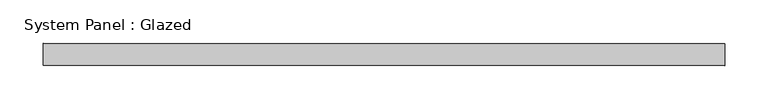
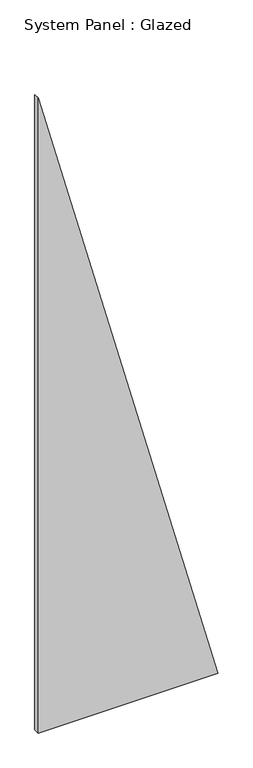
"""IFC4 building model written with IfcOpenShell, lengths in millimetres: plate geometry, System Panel : Glazed."""

from ifc_helpers import new_model, si_unit, frame, origin, place, context, project, spatial, polyline, outline, extrude, source, transform, mapped, element, save


def system_panel_glazed_028e748a(model_context):
    return source(origin(), model_context, "Body", "SweptSolid", [
        extrude(outline(polyline([(0.0, -392.444282), (0.0, 392.444282), (2929.2439988, -392.444282), (0.0, -392.444282)])), frame((0.0, -22.5, 0.0), z_axis=(0.0, 1.0, 0.0), x_axis=(0.0, 0.0, 1.0)), (0.0, 0.0, 1.0), 25.0),
    ])


if __name__ == "__main__":
    model = new_model("IFC4")
    model_context = context("Model", 3, world=origin())
    ifc_project = project(units=[si_unit("LENGTHUNIT", "METRE", prefix="MILLI")], contexts=[model_context])
    site = spatial("IfcSite", under=ifc_project)
    building = spatial("IfcBuilding", under=site)
    placement = place(None, origin())
    system_panel_glazed_shape = system_panel_glazed_028e748a(model_context)
    element("IfcPlate", 1, ObjectType="System Panel : Glazed", at=placement, inside=building, context=model_context, shape_type="MappedRepresentation", body=[
        mapped(system_panel_glazed_shape, transform((0.0, 0.0, 0.0), x_axis=(1.0, 0.0, 0.0), y_axis=(0.0, 1.0, 0.0), z_axis=(0.0, 0.0, 1.0))),
    ])
    save(model, "model.ifc")
